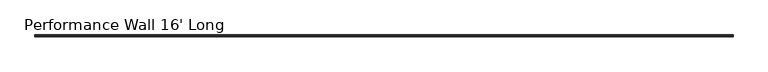
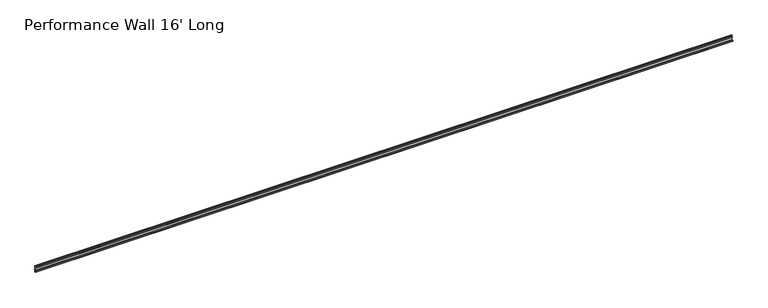
"""IFC4 building model written with IfcOpenShell, lengths in millimetres: furniture geometry, Performance Wall 16' Long."""

from ifc_helpers import new_model, si_unit, frame, origin, place, context, project, spatial, polyline, outline, extrude, source, transform, mapped, element, save


def performance_wall_16_long_e31161d5(model_context):
    return source(origin(), model_context, "Body", "SweptSolid", [
        extrude(outline(polyline([(0.0, 1981.2), (-3.0801413, 1981.1982663), (-3.0837154, 1987.5482653), (-11.5351723, 1987.5435084), (-11.5387464, 1993.8935074), (-3.0872896, 1993.8982643), (-3.0983255, 2013.5053275), (-7.581033, 2013.5028044), (-7.5846072, 2019.8528034), (-3.1018996, 2019.8553265), (-3.1054738, 2026.2053255), (-0.0253325, 2026.2070592), (0.0, 1981.2)])), frame((41.91, 0.0, 0.0), z_axis=(1.0, 0.0, 0.0), x_axis=(0.0, 1.0, 0.0)), (0.0, 0.0, 1.0), 4792.98),
    ])


if __name__ == "__main__":
    model = new_model("IFC4")
    model_context = context("Model", 3, world=origin())
    ifc_project = project(units=[si_unit("LENGTHUNIT", "METRE", prefix="MILLI")], contexts=[model_context])
    site = spatial("IfcSite", under=ifc_project)
    building = spatial("IfcBuilding", under=site)
    placement = place(None, origin())
    performance_wall_16_long_shape = performance_wall_16_long_e31161d5(model_context)
    element("IfcFurniture", 1, ObjectType="Performance Wall 16' Long", at=placement, inside=building, context=model_context, shape_type="MappedRepresentation", body=[
        mapped(performance_wall_16_long_shape, transform((0.0, 0.0, 0.0), x_axis=(1.0, 0.0, 0.0), y_axis=(0.0, 1.0, 0.0), z_axis=(0.0, 0.0, 1.0))),
    ])
    save(model, "model.ifc")
